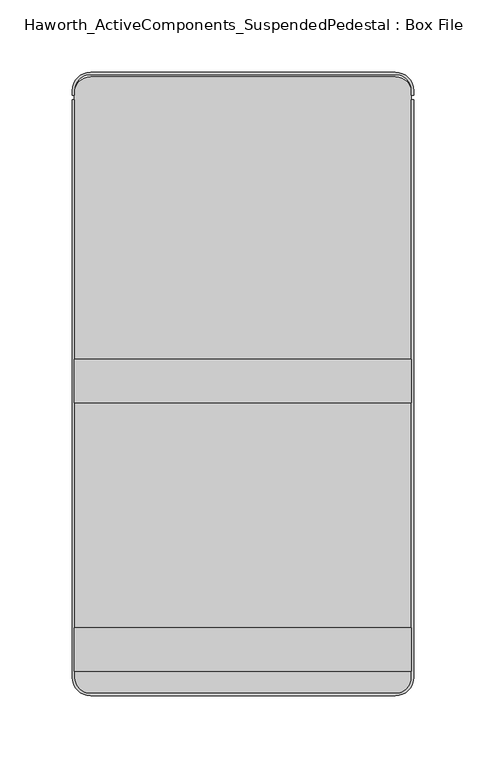
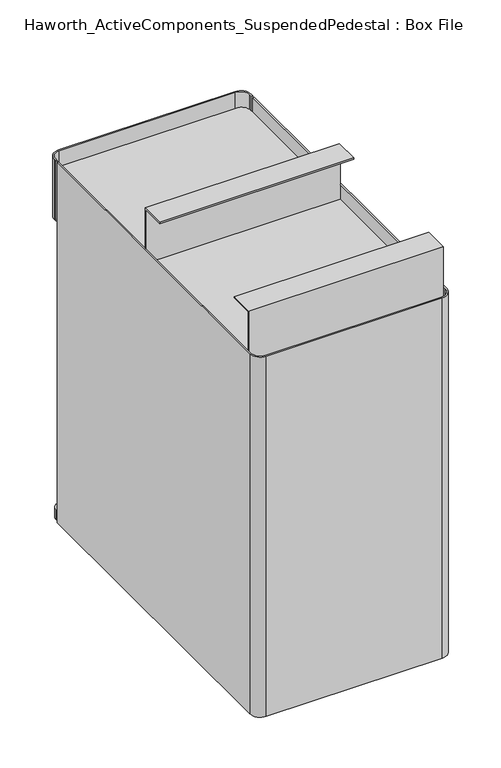
"""IFC4 building model written with IfcOpenShell, lengths in millimetres: furniture geometry, Haworth_ActiveComponents_SuspendedPedestal : Box File."""

from ifc_helpers import new_model, si_unit, point, frame, frame_2d, origin, place, context, project, spatial, polyline, circle_curve, trimmed, segment, composite_curve, outline, extrude, source, transform, mapped, element, save


def haworth_activecomponents_suspendedpedestal_box_file_5b3cf7ab(model_context):
    return source(origin(), model_context, "Body", "SweptSolid", [
        extrude(outline(composite_curve([segment(polyline([(105.56875, 46.0375), (-105.56875, 46.0375)]), True, "CONTINUOUS"), segment(trimmed(circle_curve(frame_2d((-105.56875, 57.15)), 11.1125), [point((-105.56875, 46.0375))], [point((-116.68125, 57.15))], False, "CARTESIAN"), True, "CONTINUOUS"), segment(polyline([(-116.68125, 57.15), (-116.68125, 461.9625)]), True, "CONTINUOUS"), segment(trimmed(circle_curve(frame_2d((-105.56875, 461.9625)), 11.1125), [point((-116.68125, 461.9625))], [point((-105.56875, 473.075))], False, "CARTESIAN"), True, "CONTINUOUS"), segment(polyline([(-105.56875, 473.075), (105.56875, 473.075)]), True, "CONTINUOUS"), segment(trimmed(circle_curve(frame_2d((105.56875, 461.9625)), 11.1125), [point((105.56875, 473.075))], [point((116.68125, 461.9625))], False, "CARTESIAN"), True, "CONTINUOUS"), segment(polyline([(116.68125, 461.9625), (116.68125, 57.15)]), True, "CONTINUOUS"), segment(trimmed(circle_curve(frame_2d((105.56875, 57.15)), 11.1125), [point((116.68125, 57.15))], [point((105.56875, 46.0375))], False, "CARTESIAN"), True, "CONTINUOUS")], self_intersect=False)), frame((0.0, 0.0, 633.4124758), z_axis=(0.0, 0.0, 1.0), x_axis=(1.0, 0.0, 0.0)), (0.0, 0.0, 1.0), 1.5875),
        extrude(outline(composite_curve([segment(polyline([(105.56875, 46.0375), (-105.56875, 46.0375)]), True, "CONTINUOUS"), segment(trimmed(circle_curve(frame_2d((-105.56875, 57.15)), 11.1125), [point((-105.56875, 46.0375))], [point((-116.68125, 57.15))], False, "CARTESIAN"), True, "CONTINUOUS"), segment(polyline([(-116.68125, 57.15), (-116.68125, 461.9625)]), True, "CONTINUOUS"), segment(trimmed(circle_curve(frame_2d((-105.56875, 461.9625)), 11.1125), [point((-116.68125, 461.9625))], [point((-105.56875, 473.075))], False, "CARTESIAN"), True, "CONTINUOUS"), segment(polyline([(-105.56875, 473.075), (105.56875, 473.075)]), True, "CONTINUOUS"), segment(trimmed(circle_curve(frame_2d((105.56875, 461.9625)), 11.1125), [point((105.56875, 473.075))], [point((116.68125, 461.9625))], False, "CARTESIAN"), True, "CONTINUOUS"), segment(polyline([(116.68125, 461.9625), (116.68125, 57.15)]), True, "CONTINUOUS"), segment(trimmed(circle_curve(frame_2d((105.56875, 57.15)), 11.1125), [point((116.68125, 57.15))], [point((105.56875, 46.0375))], False, "CARTESIAN"), True, "CONTINUOUS")], self_intersect=False)), frame((0.0, 0.0, 577.85), z_axis=(0.0, 0.0, 1.0), x_axis=(1.0, 0.0, 0.0)), (0.0, 0.0, 1.0), 1.5875),
        extrude(outline(polyline([(277.3171814, 634.9999758), (275.7296814, 634.9999758), (275.7296814, 703.2625), (247.1546814, 703.2625), (247.1546814, 704.85), (277.3171814, 704.85), (277.3171814, 634.9999758)])), frame((-116.68125, 0.0, 0.0), z_axis=(1.0, 0.0, 0.0), x_axis=(0.0, 1.0, 0.0)), (0.0, 0.0, 1.0), 233.3625),
        extrude(outline(polyline([(61.4172056, 634.9999758), (61.4172056, 704.85), (91.5797056, 704.85), (91.5797056, 703.2625), (63.0047056, 703.2625), (63.0047056, 634.9999758), (61.4172056, 634.9999758)])), frame((-116.68125, 0.0, 0.0), z_axis=(1.0, 0.0, 0.0), x_axis=(0.0, 1.0, 0.0)), (0.0, 0.0, 1.0), 233.3625),
        extrude(outline(composite_curve([segment(trimmed(circle_curve(frame_2d((-105.56875, 463.55)), 12.7), [point((-118.26875, 463.55))], [point((-105.56875, 476.25))], False, "CARTESIAN"), True, "CONTINUOUS"), segment(polyline([(-105.56875, 476.25), (105.56875, 476.25)]), True, "CONTINUOUS"), segment(trimmed(circle_curve(frame_2d((105.56875, 463.55)), 12.7), [point((105.56875, 476.25))], [point((118.26875, 463.55))], False, "CARTESIAN"), True, "CONTINUOUS"), segment(polyline([(118.26875, 463.55), (118.26875, 460.375), (116.68125, 460.375), (116.68125, 463.55)]), True, "CONTINUOUS"), segment(trimmed(circle_curve(frame_2d((105.56875, 463.55)), 11.1125), [point((116.68125, 463.55))], [point((105.56875, 474.6625))], True, "CARTESIAN"), True, "CONTINUOUS"), segment(polyline([(105.56875, 474.6625), (-105.56875, 474.6625)]), True, "CONTINUOUS"), segment(trimmed(circle_curve(frame_2d((-105.56875, 463.55)), 11.1125), [point((-105.56875, 474.6625))], [point((-116.68125, 463.55))], True, "CARTESIAN"), True, "CONTINUOUS"), segment(polyline([(-116.68125, 463.55), (-116.68125, 460.375), (-118.26875, 460.375), (-118.26875, 463.55)]), True, "CONTINUOUS")], self_intersect=False)), frame((0.0, 0.0, 577.85), z_axis=(0.0, 0.0, 1.0), x_axis=(1.0, 0.0, 0.0)), (0.0, 0.0, 1.0), 76.2),
        extrude(outline(composite_curve([segment(polyline([(105.56875, 46.0375), (-105.56875, 46.0375)]), True, "CONTINUOUS"), segment(trimmed(circle_curve(frame_2d((-105.56875, 57.15)), 11.1125), [point((-105.56875, 46.0375))], [point((-116.68125, 57.15))], False, "CARTESIAN"), True, "CONTINUOUS"), segment(polyline([(-116.68125, 57.15), (-116.68125, 461.9625)]), True, "CONTINUOUS"), segment(trimmed(circle_curve(frame_2d((-105.56875, 461.9625)), 11.1125), [point((-116.68125, 461.9625))], [point((-105.56875, 473.075))], False, "CARTESIAN"), True, "CONTINUOUS"), segment(polyline([(-105.56875, 473.075), (105.56875, 473.075)]), True, "CONTINUOUS"), segment(trimmed(circle_curve(frame_2d((105.56875, 461.9625)), 11.1125), [point((105.56875, 473.075))], [point((116.68125, 461.9625))], False, "CARTESIAN"), True, "CONTINUOUS"), segment(polyline([(116.68125, 461.9625), (116.68125, 57.15)]), True, "CONTINUOUS"), segment(trimmed(circle_curve(frame_2d((105.56875, 57.15)), 11.1125), [point((116.68125, 57.15))], [point((105.56875, 46.0375))], False, "CARTESIAN"), True, "CONTINUOUS")], self_intersect=False)), frame((0.0, 0.0, 196.85), z_axis=(0.0, 0.0, 1.0), x_axis=(1.0, 0.0, 0.0)), (0.0, 0.0, 1.0), 12.7),
        extrude(outline(composite_curve([segment(polyline([(-118.26875, 57.15), (-118.26875, 457.2), (-116.68125, 457.2), (-116.68125, 57.15)]), True, "CONTINUOUS"), segment(trimmed(circle_curve(frame_2d((-105.56875, 57.15)), 11.1125), [point((-116.68125, 57.15))], [point((-105.56875, 46.0375))], True, "CARTESIAN"), True, "CONTINUOUS"), segment(polyline([(-105.56875, 46.0375), (105.56875, 46.0375)]), True, "CONTINUOUS"), segment(trimmed(circle_curve(frame_2d((105.56875, 57.15)), 11.1125), [point((105.56875, 46.0375))], [point((116.68125, 57.15))], True, "CARTESIAN"), True, "CONTINUOUS"), segment(polyline([(116.68125, 57.15), (116.68125, 457.2), (118.26875, 457.2), (118.26875, 57.15)]), True, "CONTINUOUS"), segment(trimmed(circle_curve(frame_2d((105.56875, 57.15)), 12.7), [point((118.26875, 57.15))], [point((105.56875, 44.45))], False, "CARTESIAN"), True, "CONTINUOUS"), segment(polyline([(105.56875, 44.45), (-105.56875, 44.45)]), True, "CONTINUOUS"), segment(trimmed(circle_curve(frame_2d((-105.56875, 57.15)), 12.7), [point((-105.56875, 44.45))], [point((-118.26875, 57.15))], False, "CARTESIAN"), True, "CONTINUOUS")], self_intersect=False)), frame((0.0, 0.0, 196.85), z_axis=(0.0, 0.0, 1.0), x_axis=(1.0, 0.0, 0.0)), (0.0, 0.0, 1.0), 457.2),
    ])


if __name__ == "__main__":
    model = new_model("IFC4")
    model_context = context("Model", 3, world=origin())
    ifc_project = project(units=[si_unit("LENGTHUNIT", "METRE", prefix="MILLI")], contexts=[model_context])
    site = spatial("IfcSite", under=ifc_project)
    building = spatial("IfcBuilding", under=site)
    placement = place(None, origin())
    haworth_activecomponents_suspendedpedestal_box_file_shape = haworth_activecomponents_suspendedpedestal_box_file_5b3cf7ab(model_context)
    element("IfcFurniture", 1, ObjectType="Haworth_ActiveComponents_SuspendedPedestal : Box File", at=placement, inside=building, context=model_context, shape_type="MappedRepresentation", body=[
        mapped(haworth_activecomponents_suspendedpedestal_box_file_shape, transform((0.0, 0.0, 0.0), x_axis=(1.0, 0.0, 0.0), y_axis=(0.0, 1.0, 0.0), z_axis=(0.0, 0.0, 1.0))),
    ])
    save(model, "model.ifc")
